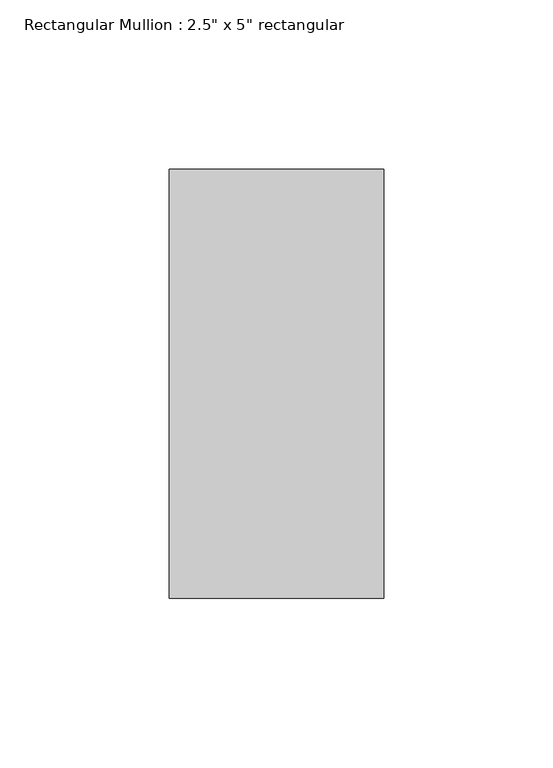
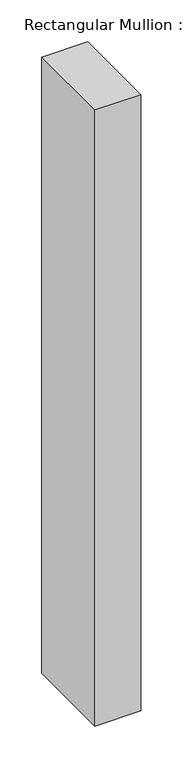
"""IFC4 building model written with IfcOpenShell, lengths in millimetres: member geometry."""

from ifc_helpers import new_model, si_unit, frame, origin, place, context, project, spatial, polyline, outline, extrude, source, transform, mapped, element, save


def member_71a6b863(model_context):
    return source(origin(), model_context, "Body", "SweptSolid", [
        extrude(outline(polyline([(31.75, 63.5), (31.75, -63.5), (-31.75, -63.5), (-31.75, 63.5), (31.75, 63.5)])), frame((0.0, 0.0, -900.0), z_axis=(0.0, 0.0, 1.0), x_axis=(1.0, 0.0, 0.0)), (0.0, 0.0, 1.0), 900.0),
    ])


if __name__ == "__main__":
    model = new_model("IFC4")
    model_context = context("Model", 3, world=origin())
    ifc_project = project(units=[si_unit("LENGTHUNIT", "METRE", prefix="MILLI")], contexts=[model_context])
    site = spatial("IfcSite", under=ifc_project)
    building = spatial("IfcBuilding", under=site)
    placement = place(None, origin())
    member_shape = member_71a6b863(model_context)
    element("IfcMember", 1, ObjectType="Rectangular Mullion : 2.5\" x 5\" rectangular", at=placement, inside=building, context=model_context, shape_type="MappedRepresentation", body=[
        mapped(member_shape, transform((0.0, 0.0, 0.0), x_axis=(1.0, 0.0, 0.0), y_axis=(0.0, 1.0, 0.0), z_axis=(0.0, 0.0, 1.0))),
    ])
    save(model, "model.ifc")
